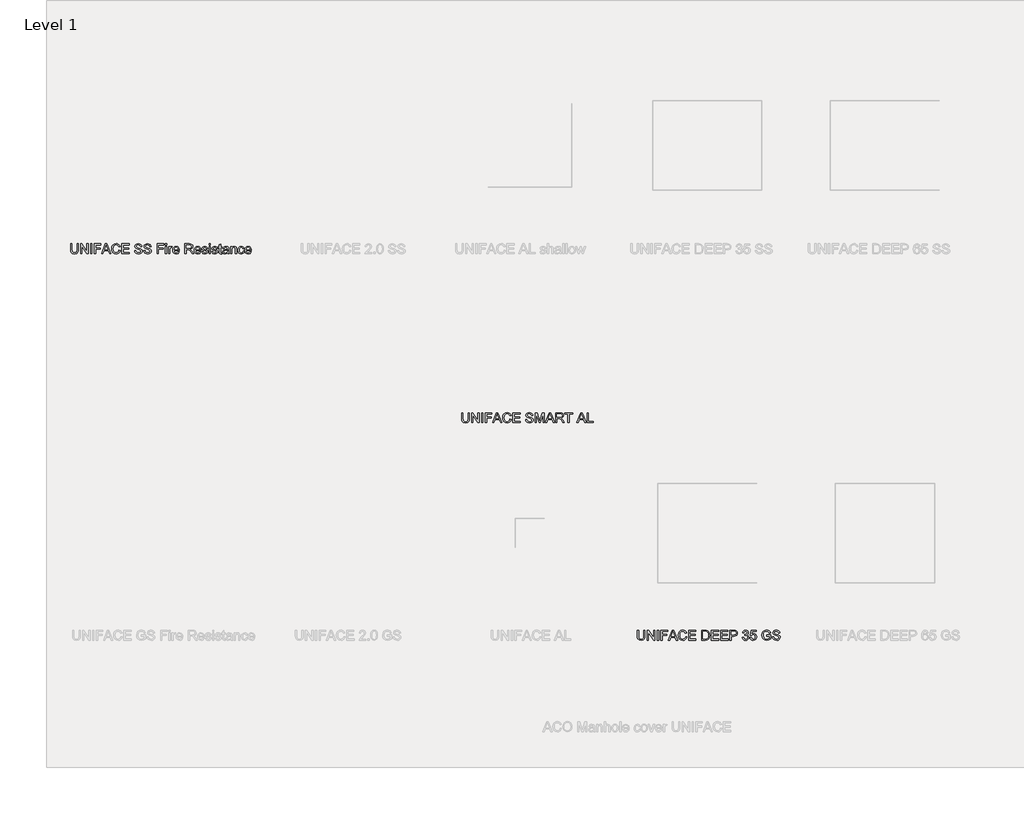
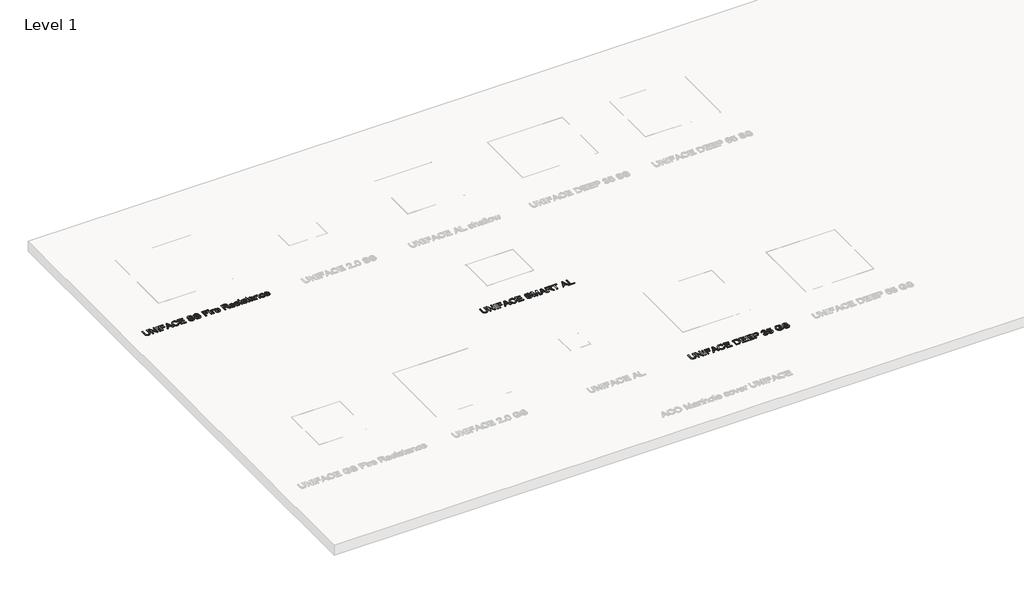
# One storey, part 4 of 9: 3 proxies.
"""IFC4 building model written with IfcOpenShell, lengths in millimetres."""

from ifc_helpers import new_model, si_unit, origin, origin_with_axes, place, context, project, spatial, polyline, outline, extrude, element, save

model = new_model("IFC4")

# Units and contexts
model_context = context("Model", 3, world=origin())
ifc_project = project(units=[si_unit("LENGTHUNIT", "METRE", prefix="MILLI")], contexts=[model_context])

# Site, building, storey
site = spatial("IfcSite", under=ifc_project)
building = spatial("IfcBuilding", under=site)
storey = spatial("IfcBuildingStorey", under=building, Name="Level 1", Elevation=0.0)

# Proxies
placement = place(None, origin())
element("IfcBuildingElementProxy", 1, Name="100mm ACO", ObjectType="100mm ACO", at=placement, inside=storey, context=model_context, shape_type="SweptSolid", body=[
    extrude(outline(polyline([(3784.6433876, -13561.0189185), (3783.7993627, -13575.381894), (3779.3172994, -13588.9445011), (3767.5009507, -13600.5571197), (3745.7018247, -13605.1992567), (3724.2519504, -13601.0809972), (3712.3046323, -13590.4288208), (3707.4587652, -13576.8225572), (3706.4110101, -13561.0189185), (3706.4110101, -13502.7520957), (3719.4497397, -13502.7520957), (3719.4497397, -13561.3681702), (3720.7448814, -13577.1281525), (3727.5698414, -13588.8862925), (3734.6058076, -13592.7389752), (3744.6540696, -13594.0232027), (3762.1894147, -13589.9340476), (3769.8292953, -13579.0053803), (3771.604658, -13561.3681702), (3771.604658, -13502.7520957), (3784.6433876, -13502.7520957), (3784.6433876, -13561.0189185)])), origin_with_axes(), (0.0, 0.0, 1.0), 10.0),
    extrude(outline(polyline([(3885.2278729, -13603.336581), (3871.2578055, -13603.336581), (3820.2961638, -13524.6385346), (3820.2961638, -13603.336581), (3806.9954954, -13603.336581), (3806.9954954, -13502.7520957), (3820.9946671, -13502.7520957), (3871.9272046, -13581.3919335), (3871.9272046, -13502.7520957), (3885.2278729, -13502.7520957), (3885.2278729, -13603.336581)])), origin_with_axes(), (0.0, 0.0, 1.0), 10.0),
    extrude(outline(polyline([(3922.481386, -13603.336581), (3909.4426564, -13603.336581), (3909.4426564, -13502.7520957), (3922.481386, -13502.7520957), (3922.481386, -13603.336581)])), origin_with_axes(), (0.0, 0.0, 1.0), 10.0),
    extrude(outline(polyline([(4013.752493, -13513.9281496), (3959.7348991, -13513.9281496), (3959.7348991, -13545.5936357), (4006.3017904, -13545.5936357), (4006.3017904, -13556.7696896), (3959.7348991, -13556.7696896), (3959.7348991, -13603.336581), (3946.6961695, -13603.336581), (3946.6961695, -13502.7520957), (4013.752493, -13502.7520957), (4013.752493, -13513.9281496)])), origin_with_axes(), (0.0, 0.0, 1.0), 10.0),
    extrude(outline(polyline([(4114.8026473, -13603.336581), (4100.9198928, -13603.336581), (4088.8707096, -13573.5337705), (4046.1746911, -13573.5337705), (4034.5911769, -13603.336581), (4020.7375267, -13603.336581), (4059.8246112, -13502.7520957), (4074.0857216, -13502.7520957), (4114.8026473, -13603.336581)]), holes=[polyline([(4084.3304377, -13562.3577166), (4069.8219406, -13525.4825595), (4066.8387492, -13513.7535238), (4062.1529557, -13532.4384889), (4050.5403372, -13562.3577166), (4084.3304377, -13562.3577166)])]), origin_with_axes(), (0.0, 0.0, 1.0), 10.0),
    extrude(outline(polyline([(4209.3334367, -13571.3218432), (4203.3852439, -13586.2341625), (4194.2137492, -13596.8026641), (4182.3573821, -13603.1001085), (4168.3545723, -13605.1992567), (4147.3267104, -13601.3211077), (4132.9055263, -13589.686661), (4124.5671423, -13572.5951566), (4121.787681, -13552.345835), (4125.0510014, -13530.834114), (4134.8409627, -13514.5538922), (4149.7605581, -13504.3055381), (4168.4127809, -13500.88942), (4181.8044002, -13502.7120773), (4193.1077855, -13508.180049), (4201.8281635, -13517.1623657), (4207.4707611, -13529.5280582), (4194.4320315, -13532.5549061), (4184.5220149, -13517.2023842), (4167.9180077, -13512.065474), (4153.6132408, -13514.7903647), (4143.2375553, -13522.965037), (4136.9291967, -13535.7236376), (4134.8264105, -13552.2003134), (4137.05289, -13570.6706343), (4143.7323285, -13583.7057259), (4153.9915968, -13591.4438335), (4166.9575656, -13594.0232027), (4177.5879137, -13592.3969996), (4186.0208867, -13587.5183901), (4192.2564845, -13579.3728221), (4196.2947071, -13567.9457436), (4209.3334367, -13571.3218432)])), origin_with_axes(), (0.0, 0.0, 1.0), 10.0),
    extrude(outline(polyline([(4300.6045438, -13603.336581), (4226.0975176, -13603.336581), (4226.0975176, -13502.7520957), (4298.7418681, -13502.7520957), (4298.7418681, -13513.9281496), (4239.1362472, -13513.9281496), (4239.1362472, -13545.5936357), (4295.0165168, -13545.5936357), (4295.0165168, -13556.7696896), (4239.1362472, -13556.7696896), (4239.1362472, -13592.1605271), (4300.6045438, -13592.1605271), (4300.6045438, -13603.336581)])), origin_with_axes(), (0.0, 0.0, 1.0), 10.0),
    extrude(outline(polyline([(4416.0904343, -13532.5549061), (4414.067685, -13523.6089698), (4409.5710695, -13517.2023842), (4402.600588, -13513.3497015), (4393.1562403, -13512.065474), (4377.4399145, -13516.0673162), (4372.8996426, -13520.982306), (4371.3862186, -13527.7235912), (4375.8828341, -13537.8373379), (4394.1748911, -13544.1675247), (4414.1258936, -13549.6827909), (4427.3538012, -13558.6614696), (4431.4793367, -13565.7847488), (4432.8545152, -13574.9889859), (4430.3333546, -13586.8962855), (4422.7698728, -13596.5989339), (4411.1536162, -13603.049176), (4396.4741313, -13605.1992567), (4378.3858045, -13602.8127035), (4365.5071486, -13595.6530439), (4357.6489857, -13584.6952723), (4354.6221377, -13570.9143829), (4367.6608673, -13569.8084192), (4370.3057212, -13580.7480007), (4376.5522331, -13588.2459978), (4385.4399609, -13592.5789015), (4396.0084624, -13594.0232027), (4413.2382122, -13589.2646485), (4418.1713923, -13583.6584314), (4419.8157856, -13576.3568883), (4418.1168217, -13568.9862226), (4413.0199299, -13563.9293492), (4389.6055149, -13556.4349901), (4375.311662, -13552.0693441), (4365.6672223, -13546.1611697), (4360.1774223, -13538.4885468), (4358.347489, -13528.8295548), (4360.6430913, -13517.7699181), (4367.5298979, -13508.8057916), (4378.3748904, -13502.8685129), (4392.5450499, -13500.88942), (4407.1917924, -13502.8830651), (4418.6516133, -13508.8640002), (4426.204181, -13518.512078), (4429.1291639, -13531.5071511), (4416.0904343, -13532.5549061)])), origin_with_axes(), (0.0, 0.0, 1.0), 10.0),
    extrude(outline(polyline([(4544.6150544, -13603.336581), (4531.5763249, -13603.336581), (4531.5763249, -13519.0505077), (4505.906326, -13603.336581), (4492.0526758, -13603.336581), (4464.8983573, -13517.6826052), (4464.5200013, -13603.336581), (4451.4812717, -13603.336581), (4451.4812717, -13502.7520957), (4471.3013049, -13502.7520957), (4494.2646032, -13574.0285438), (4498.7175621, -13588.929949), (4503.7526073, -13572.8061629), (4525.2315859, -13502.7520957), (4544.6150544, -13502.7520957), (4544.6150544, -13603.336581)])), origin_with_axes(), (0.0, 0.0, 1.0), 10.0),
    extrude(outline(polyline([(4649.39056, -13603.336581), (4635.5078055, -13603.336581), (4623.4586224, -13573.5337705), (4580.7626038, -13573.5337705), (4569.1790896, -13603.336581), (4555.3254394, -13603.336581), (4594.4125239, -13502.7520957), (4608.6736344, -13502.7520957), (4649.39056, -13603.336581)]), holes=[polyline([(4618.9183504, -13562.3577166), (4604.4098534, -13525.4825595), (4601.4266619, -13513.7535238), (4596.7408684, -13532.4384889), (4585.1282499, -13562.3577166), (4618.9183504, -13562.3577166)])]), origin_with_axes(), (0.0, 0.0, 1.0), 10.0),
    extrude(outline(polyline([(4748.1123696, -13603.336581), (4733.0363386, -13603.336581), (4714.1621954, -13573.3009361), (4706.347689, -13564.1185272), (4698.576839, -13559.5782553), (4688.9433133, -13558.6323653), (4673.1396746, -13558.6323653), (4673.1396746, -13603.336581), (4660.100945, -13603.336581), (4660.100945, -13502.7520957), (4704.4850133, -13502.7520957), (4719.7502224, -13503.9017158), (4730.5479203, -13508.7330308), (4737.6930277, -13518.0173048), (4740.1959981, -13529.8191013), (4738.3697028, -13539.92921), (4732.890817, -13547.8492195), (4723.9703469, -13553.4263324), (4711.8192987, -13556.5077509), (4721.5328612, -13564.0384903), (4730.6497854, -13575.7748022), (4748.1123696, -13603.336581)]), holes=[polyline([(4673.1396746, -13547.4563114), (4702.0693558, -13547.4563114), (4715.9375581, -13545.9719917), (4724.1013163, -13540.1947868), (4727.1572685, -13530.546709), (4722.0785669, -13518.7740167), (4715.351834, -13515.1396164), (4705.3290382, -13513.9281496), (4673.1396746, -13513.9281496), (4673.1396746, -13547.4563114)])]), origin_with_axes(), (0.0, 0.0, 1.0), 10.0),
    extrude(outline(polyline([(4831.4671052, -13513.9281496), (4797.9389434, -13513.9281496), (4797.9389434, -13603.336581), (4784.9002138, -13603.336581), (4784.9002138, -13513.9281496), (4751.372052, -13513.9281496), (4751.372052, -13502.7520957), (4831.4671052, -13502.7520957), (4831.4671052, -13513.9281496)])), origin_with_axes(), (0.0, 0.0, 1.0), 10.0),
    extrude(outline(polyline([(4967.9080968, -13603.336581), (4954.0253423, -13603.336581), (4941.9761592, -13573.5337705), (4899.2801407, -13573.5337705), (4887.6966265, -13603.336581), (4873.8429763, -13603.336581), (4912.9300607, -13502.7520957), (4927.1911712, -13502.7520957), (4967.9080968, -13603.336581)]), holes=[polyline([(4937.4358873, -13562.3577166), (4922.9273902, -13525.4825595), (4919.9441987, -13513.7535238), (4915.2584053, -13532.4384889), (4903.6457868, -13562.3577166), (4937.4358873, -13562.3577166)])]), origin_with_axes(), (0.0, 0.0, 1.0), 10.0),
    extrude(outline(polyline([(5041.9494541, -13603.336581), (4978.6184818, -13603.336581), (4978.6184818, -13502.7520957), (4991.6572114, -13502.7520957), (4991.6572114, -13592.1605271), (5041.9494541, -13592.1605271), (5041.9494541, -13603.336581)])), origin_with_axes(), (0.0, 0.0, 1.0), 10.0),
])
element("IfcBuildingElementProxy", 2, Name="100mm ACO", ObjectType="100mm ACO", at=placement, inside=storey, context=model_context, shape_type="SweptSolid", body=[
    extrude(outline(polyline([(5565.3197239, -15767.3956492), (5564.475699, -15781.7586247), (5559.9936357, -15795.3212318), (5548.177287, -15806.9338503), (5526.378161, -15811.5759873), (5504.9282867, -15807.4577279), (5492.9809686, -15796.8055515), (5488.1351015, -15783.1992879), (5487.0873465, -15767.3956492), (5487.0873465, -15709.1288264), (5500.126076, -15709.1288264), (5500.126076, -15767.7449008), (5501.4212177, -15783.5048831), (5508.2461777, -15795.2630232), (5515.2821439, -15799.1157058), (5525.330406, -15800.3999334), (5542.865751, -15796.3107783), (5550.5056316, -15785.3821109), (5552.2809943, -15767.7449008), (5552.2809943, -15709.1288264), (5565.3197239, -15709.1288264), (5565.3197239, -15767.3956492)])), origin_with_axes(), (0.0, 0.0, 1.0), 10.0),
    extrude(outline(polyline([(5665.9042092, -15809.7133117), (5651.9341418, -15809.7133117), (5600.9725001, -15731.0152653), (5600.9725001, -15809.7133117), (5587.6718318, -15809.7133117), (5587.6718318, -15709.1288264), (5601.6710035, -15709.1288264), (5652.6035409, -15787.7686641), (5652.6035409, -15709.1288264), (5665.9042092, -15709.1288264), (5665.9042092, -15809.7133117)])), origin_with_axes(), (0.0, 0.0, 1.0), 10.0),
    extrude(outline(polyline([(5703.1577223, -15809.7133117), (5690.1189927, -15809.7133117), (5690.1189927, -15709.1288264), (5703.1577223, -15709.1288264), (5703.1577223, -15809.7133117)])), origin_with_axes(), (0.0, 0.0, 1.0), 10.0),
    extrude(outline(polyline([(5794.4288294, -15720.3048803), (5740.4112354, -15720.3048803), (5740.4112354, -15751.9703664), (5786.9781268, -15751.9703664), (5786.9781268, -15763.1464203), (5740.4112354, -15763.1464203), (5740.4112354, -15809.7133117), (5727.3725058, -15809.7133117), (5727.3725058, -15709.1288264), (5794.4288294, -15709.1288264), (5794.4288294, -15720.3048803)])), origin_with_axes(), (0.0, 0.0, 1.0), 10.0),
    extrude(outline(polyline([(5895.4789836, -15809.7133117), (5881.5962291, -15809.7133117), (5869.547046, -15779.9105012), (5826.8510275, -15779.9105012), (5815.2675133, -15809.7133117), (5801.4138631, -15809.7133117), (5840.5009475, -15709.1288264), (5854.762058, -15709.1288264), (5895.4789836, -15809.7133117)]), holes=[polyline([(5865.0067741, -15768.7344473), (5850.498277, -15731.8592902), (5847.5150855, -15720.1302544), (5842.8292921, -15738.8152196), (5831.2166735, -15768.7344473), (5865.0067741, -15768.7344473)])]), origin_with_axes(), (0.0, 0.0, 1.0), 10.0),
    extrude(outline(polyline([(5990.009773, -15777.6985739), (5984.0615803, -15792.6108932), (5974.8900855, -15803.1793947), (5963.0337184, -15809.4768392), (5949.0309087, -15811.5759873), (5928.0030468, -15807.6978384), (5913.5818626, -15796.0633916), (5905.2434786, -15778.9718873), (5902.4640173, -15758.7225656), (5905.7273377, -15737.2108447), (5915.517299, -15720.9306229), (5930.4368945, -15710.6822687), (5949.0891173, -15707.2661507), (5962.4807366, -15709.0888079), (5973.7841218, -15714.5567796), (5982.5044999, -15723.5390964), (5988.1470974, -15735.9047889), (5975.1083678, -15738.9316368), (5965.1983512, -15723.5791148), (5948.5943441, -15718.4422046), (5934.2895771, -15721.1670954), (5923.9138916, -15729.3417676), (5917.6055331, -15742.1003683), (5915.5027469, -15758.5770441), (5917.7292264, -15777.047365), (5924.4086649, -15790.0824565), (5934.6679331, -15797.8205642), (5947.6339019, -15800.3999334), (5958.2642501, -15798.7737302), (5966.6972231, -15793.8951208), (5972.9328209, -15785.7495528), (5976.9710435, -15774.3224742), (5990.009773, -15777.6985739)])), origin_with_axes(), (0.0, 0.0, 1.0), 10.0),
    extrude(outline(polyline([(6081.2808801, -15809.7133117), (6006.7738539, -15809.7133117), (6006.7738539, -15709.1288264), (6079.4182044, -15709.1288264), (6079.4182044, -15720.3048803), (6019.8125835, -15720.3048803), (6019.8125835, -15751.9703664), (6075.6928531, -15751.9703664), (6075.6928531, -15763.1464203), (6019.8125835, -15763.1464203), (6019.8125835, -15798.5372577), (6081.2808801, -15798.5372577), (6081.2808801, -15809.7133117)])), origin_with_axes(), (0.0, 0.0, 1.0), 10.0),
    extrude(outline(polyline([(6139.0238254, -15709.1288264), (6173.2504905, -15709.1288264), (6188.7339819, -15710.0601642), (6201.1324167, -15714.5858839), (6211.4789979, -15724.4959005), (6218.4494794, -15739.0043976), (6220.9815542, -15758.8680872), (6218.3767187, -15779.1210469), (6210.5622122, -15795.4085447), (6196.3956907, -15806.1371199), (6174.7348102, -15809.7133117), (6139.0238254, -15809.7133117), (6139.0238254, -15709.1288264)]), holes=[polyline([(6152.062555, -15798.5372577), (6173.5124293, -15798.5372577), (6185.2269129, -15797.6932328), (6195.6899113, -15793.1384088), (6204.4648599, -15780.9728084), (6207.9428246, -15758.5770441), (6206.6040264, -15744.1995164), (6201.6853985, -15732.0193639), (6193.4634318, -15723.972023), (6184.4119923, -15720.8578621), (6173.104969, -15720.3048803), (6152.062555, -15720.3048803), (6152.062555, -15798.5372577)])]), origin_with_axes(), (0.0, 0.0, 1.0), 10.0),
    extrude(outline(polyline([(6314.1153369, -15809.7133117), (6239.6083107, -15809.7133117), (6239.6083107, -15709.1288264), (6312.2526612, -15709.1288264), (6312.2526612, -15720.3048803), (6252.6470403, -15720.3048803), (6252.6470403, -15751.9703664), (6308.5273099, -15751.9703664), (6308.5273099, -15763.1464203), (6252.6470403, -15763.1464203), (6252.6470403, -15798.5372577), (6314.1153369, -15798.5372577), (6314.1153369, -15809.7133117)])), origin_with_axes(), (0.0, 0.0, 1.0), 10.0),
    extrude(outline(polyline([(6407.2491196, -15809.7133117), (6332.7420934, -15809.7133117), (6332.7420934, -15709.1288264), (6405.3864439, -15709.1288264), (6405.3864439, -15720.3048803), (6345.780823, -15720.3048803), (6345.780823, -15751.9703664), (6401.6610926, -15751.9703664), (6401.6610926, -15763.1464203), (6345.780823, -15763.1464203), (6345.780823, -15798.5372577), (6407.2491196, -15798.5372577), (6407.2491196, -15809.7133117)])), origin_with_axes(), (0.0, 0.0, 1.0), 10.0),
    extrude(outline(polyline([(6425.8758761, -15709.1288264), (6463.6532667, -15709.1288264), (6479.0494452, -15710.0165077), (6491.0404197, -15714.6295404), (6499.407908, -15724.7432871), (6502.2455779, -15738.1167162), (6500.0081843, -15750.6206542), (6493.2960035, -15760.366959), (6481.6506426, -15766.6425752), (6464.6137088, -15768.7344473), (6438.9146057, -15768.7344473), (6438.9146057, -15809.7133117), (6425.8758761, -15809.7133117), (6425.8758761, -15709.1288264)]), holes=[polyline([(6438.9146057, -15757.5583934), (6465.1375864, -15757.5583934), (6483.1895328, -15752.7925631), (6487.7025195, -15746.8352752), (6489.2068483, -15738.4950722), (6486.0781353, -15727.4499877), (6478.3945983, -15721.4836047), (6464.8465433, -15720.3048803), (6438.9146057, -15720.3048803), (6438.9146057, -15757.5583934)])]), origin_with_axes(), (0.0, 0.0, 1.0), 10.0),
    extrude(outline(polyline([(6600.2979885, -15755.7975828), (6608.6763909, -15759.0536271), (6614.7191727, -15764.8781266), (6619.5941441, -15780.4925873), (6617.0547933, -15792.872832), (6609.4367409, -15802.830143), (6598.2825153, -15809.3895263), (6585.1346445, -15811.5759873), (6572.7835042, -15809.647827), (6562.7970888, -15803.8633459), (6555.8302453, -15794.9137715), (6552.5378206, -15783.490331), (6565.5765502, -15781.7731769), (6572.4451666, -15797.1548032), (6585.5712091, -15802.2626091), (6593.6876728, -15800.7273569), (6600.4580622, -15796.1216003), (6605.0310765, -15789.2893642), (6606.5554145, -15781.0746735), (6605.1256655, -15773.2710811), (6600.8364182, -15766.9154281), (6594.2406546, -15762.6916655), (6585.8913565, -15761.2837447), (6576.7526041, -15763.1464203), (6578.2078194, -15751.9703664), (6586.124191, -15751.4755932), (6592.6435558, -15749.0599357), (6598.6099387, -15743.5592216), (6600.9673876, -15734.682408), (6596.1506248, -15722.6914335), (6584.989123, -15718.4422046), (6573.1873265, -15723.2735196), (6567.4392258, -15737.0689612), (6554.4004962, -15734.8279295), (6558.260455, -15723.5754768), (6565.0090162, -15715.5463261), (6574.0058851, -15710.7332013), (6584.610767, -15709.1288264), (6596.1433487, -15711.0315204), (6605.5949724, -15716.7396027), (6611.903331, -15725.1980419), (6614.0061172, -15735.351807), (6610.579085, -15747.4883031), (6600.2979885, -15755.7975828)])), origin_with_axes(), (0.0, 0.0, 1.0), 10.0),
    extrude(outline(polyline([(6648.3491995, -15747.2263643), (6667.1214776, -15742.6569881), (6678.6722495, -15744.8943817), (6688.6441127, -15751.6065626), (6695.5309194, -15762.0440947), (6697.8265216, -15775.4575422), (6695.4436064, -15789.3766771), (6688.294861, -15801.0402282), (6677.2825188, -15808.9420475), (6663.3088134, -15811.5759873), (6651.4997408, -15809.7569681), (6641.3932701, -15804.2999106), (6634.1099173, -15795.2775754), (6630.770198, -15782.7627233), (6643.8089276, -15781.7731769), (6650.6193355, -15797.1839075), (6663.4543349, -15802.2626091), (6672.0692098, -15800.3781052), (6678.8796177, -15794.7245935), (6683.3107484, -15786.3134488), (6684.787792, -15776.1560456), (6683.3071104, -15766.1296118), (6678.8650655, -15758.4606269), (6672.0946761, -15753.5929315), (6663.6289608, -15751.9703664), (6653.231447, -15754.3350913), (6645.555186, -15761.4292662), (6632.6328737, -15759.9158422), (6642.3828166, -15710.991502), (6694.1011703, -15710.991502), (6694.1011703, -15720.3048803), (6653.7334963, -15720.3048803), (6648.3491995, -15747.2263643)])), origin_with_axes(), (0.0, 0.0, 1.0), 10.0),
    extrude(outline(polyline([(6841.252547, -15796.2962261), (6821.730833, -15807.756047), (6800.4774127, -15811.5759873), (6779.9770664, -15808.039814), (6763.8787465, -15797.4312941), (6753.4557666, -15780.9582563), (6749.9814399, -15759.8285293), (6755.6422276, -15733.168984), (6762.6454515, -15722.2184885), (6772.3335478, -15714.0474542), (6784.5937371, -15708.9614766), (6799.3132404, -15707.2661507), (6814.2364739, -15709.1506546), (6825.8854728, -15714.8041662), (6834.2675133, -15724.2194096), (6839.3898713, -15737.3891085), (6826.3511417, -15740.7943125), (6822.5712198, -15731.0334555), (6816.6448553, -15724.0447837), (6808.5720481, -15719.8428494), (6798.3527983, -15718.4422046), (6783.0039143, -15721.2653224), (6771.9406396, -15729.7346758), (6765.250287, -15742.7734054), (6763.0201695, -15759.3046518), (6767.429472, -15782.0496678), (6780.511858, -15795.7577964), (6799.371449, -15800.3999334), (6814.3237868, -15797.5768156), (6828.2138174, -15789.1074622), (6828.2138174, -15768.7344473), (6798.4110069, -15768.7344473), (6798.4110069, -15757.5583934), (6841.252547, -15757.5583934), (6841.252547, -15796.2962261)])), origin_with_axes(), (0.0, 0.0, 1.0), 10.0),
    extrude(outline(polyline([(6919.4849244, -15738.9316368), (6917.4621751, -15729.9857004), (6912.9655596, -15723.5791148), (6905.9950781, -15719.7264322), (6896.5507304, -15718.4422046), (6880.8344046, -15722.4440468), (6876.2941327, -15727.3590367), (6874.7807087, -15734.1003218), (6879.2773242, -15744.2140686), (6897.5693812, -15750.5442553), (6917.5203837, -15756.0595215), (6930.7482913, -15765.0382003), (6934.8738268, -15772.1614794), (6936.2490053, -15781.3657166), (6933.7278447, -15793.2730162), (6926.1643629, -15802.9756646), (6914.5481063, -15809.4259066), (6899.8686214, -15811.5759873), (6881.7802946, -15809.1894341), (6868.9016387, -15802.0297746), (6861.0434758, -15791.072003), (6858.0166278, -15777.2911136), (6871.0553574, -15776.1851499), (6873.7002113, -15787.1247313), (6879.9467232, -15794.6227284), (6888.834451, -15798.9556322), (6899.4029525, -15800.3999334), (6916.6327023, -15795.6413792), (6921.5658824, -15790.035162), (6923.2102757, -15782.733619), (6921.5113118, -15775.3629532), (6916.41442, -15770.3060799), (6893.000005, -15762.8117208), (6878.7061521, -15758.4460747), (6869.0617124, -15752.5379004), (6863.5719125, -15744.8652774), (6861.7419791, -15735.2062855), (6864.0375814, -15724.1466488), (6870.924388, -15715.1825222), (6881.7693805, -15709.2452436), (6895.93954, -15707.2661507), (6910.5862825, -15709.2597957), (6922.0461034, -15715.2407308), (6929.5986711, -15724.8888086), (6932.523654, -15737.8838818), (6919.4849244, -15738.9316368)])), origin_with_axes(), (0.0, 0.0, 1.0), 10.0),
])
element("IfcBuildingElementProxy", 3, Name="100mm ACO", ObjectType="100mm ACO", at=placement, inside=storey, context=model_context, shape_type="SweptSolid", body=[
    extrude(outline(polyline([(-179.7546973, -11847.3956492), (-180.5987222, -11861.7586247), (-185.0807855, -11875.3212318), (-196.8971342, -11886.9338503), (-218.6962602, -11891.5759873), (-240.1461346, -11887.4577279), (-252.0934526, -11876.8055515), (-256.9393198, -11863.1992879), (-257.9870748, -11847.3956492), (-257.9870748, -11789.1288264), (-244.9483452, -11789.1288264), (-244.9483452, -11847.7449008), (-243.6532036, -11863.5048831), (-236.8282436, -11875.2630232), (-229.7922773, -11879.1157058), (-219.7440153, -11880.3999334), (-202.2086703, -11876.3107783), (-194.5687896, -11865.3821109), (-192.7934269, -11847.7449008), (-192.7934269, -11789.1288264), (-179.7546973, -11789.1288264), (-179.7546973, -11847.3956492)])), origin_with_axes(), (0.0, 0.0, 1.0), 10.0),
    extrude(outline(polyline([(-79.170212, -11889.7133117), (-93.1402794, -11889.7133117), (-144.1019211, -11811.0152653), (-144.1019211, -11889.7133117), (-157.4025895, -11889.7133117), (-157.4025895, -11789.1288264), (-143.4034178, -11789.1288264), (-92.4708804, -11867.7686641), (-92.4708804, -11789.1288264), (-79.170212, -11789.1288264), (-79.170212, -11889.7133117)])), origin_with_axes(), (0.0, 0.0, 1.0), 10.0),
    extrude(outline(polyline([(-41.9166989, -11889.7133117), (-54.9554285, -11889.7133117), (-54.9554285, -11789.1288264), (-41.9166989, -11789.1288264), (-41.9166989, -11889.7133117)])), origin_with_axes(), (0.0, 0.0, 1.0), 10.0),
    extrude(outline(polyline([(49.3544081, -11800.3048803), (-4.6631859, -11800.3048803), (-4.6631859, -11831.9703664), (41.9037055, -11831.9703664), (41.9037055, -11843.1464203), (-4.6631859, -11843.1464203), (-4.6631859, -11889.7133117), (-17.7019154, -11889.7133117), (-17.7019154, -11789.1288264), (49.3544081, -11789.1288264), (49.3544081, -11800.3048803)])), origin_with_axes(), (0.0, 0.0, 1.0), 10.0),
    extrude(outline(polyline([(150.4045623, -11889.7133117), (136.5218079, -11889.7133117), (124.4726247, -11859.9105012), (81.7766062, -11859.9105012), (70.193092, -11889.7133117), (56.3394418, -11889.7133117), (95.4265262, -11789.1288264), (109.6876367, -11789.1288264), (150.4045623, -11889.7133117)]), holes=[polyline([(119.9323528, -11848.7344473), (105.4238557, -11811.8592902), (102.4406643, -11800.1302544), (97.7548708, -11818.8152196), (86.1422523, -11848.7344473), (119.9323528, -11848.7344473)])]), origin_with_axes(), (0.0, 0.0, 1.0), 10.0),
    extrude(outline(polyline([(244.9353518, -11857.6985739), (238.987159, -11872.6108932), (229.8156643, -11883.1793947), (217.9592971, -11889.4768392), (203.9564874, -11891.5759873), (182.9286255, -11887.6978384), (168.5074414, -11876.0633916), (160.1690574, -11858.9718873), (157.389596, -11838.7225656), (160.6529165, -11817.2108447), (170.4428778, -11800.9306229), (185.3624732, -11790.6822687), (204.014696, -11787.2661507), (217.4063153, -11789.0888079), (228.7097006, -11794.5567796), (237.4300786, -11803.5390964), (243.0726761, -11815.9047889), (230.0339466, -11818.9316368), (220.12393, -11803.5791148), (203.5199228, -11798.4422046), (189.2151559, -11801.1670954), (178.8394704, -11809.3417676), (172.5311118, -11822.1003683), (170.4283256, -11838.5770441), (172.6548051, -11857.047365), (179.3342436, -11870.0824565), (189.5935118, -11877.8205642), (202.5594807, -11880.3999334), (213.1898288, -11878.7737302), (221.6228018, -11873.8951208), (227.8583996, -11865.7495528), (231.8966222, -11854.3224742), (244.9353518, -11857.6985739)])), origin_with_axes(), (0.0, 0.0, 1.0), 10.0),
    extrude(outline(polyline([(336.2064588, -11889.7133117), (261.6994327, -11889.7133117), (261.6994327, -11789.1288264), (334.3437832, -11789.1288264), (334.3437832, -11800.3048803), (274.7381623, -11800.3048803), (274.7381623, -11831.9703664), (330.6184319, -11831.9703664), (330.6184319, -11843.1464203), (274.7381623, -11843.1464203), (274.7381623, -11878.5372577), (336.2064588, -11878.5372577), (336.2064588, -11889.7133117)])), origin_with_axes(), (0.0, 0.0, 1.0), 10.0),
    extrude(outline(polyline([(451.6923494, -11818.9316368), (449.6696, -11809.9857004), (445.1729846, -11803.5791148), (438.202503, -11799.7264322), (428.7581554, -11798.4422046), (413.0418296, -11802.4440468), (408.5015577, -11807.3590367), (406.9881337, -11814.1003218), (411.4847491, -11824.2140686), (429.7768061, -11830.5442553), (449.7278087, -11836.0595215), (462.9557162, -11845.0382003), (467.0812518, -11852.1614794), (468.4564303, -11861.3657166), (465.9352697, -11873.2730162), (458.3717879, -11882.9756646), (446.7555313, -11889.4259066), (432.0760464, -11891.5759873), (413.9877195, -11889.1894341), (401.1090637, -11882.0297746), (393.2509007, -11871.072003), (390.2240528, -11857.2911136), (403.2627824, -11856.1851499), (405.9076363, -11867.1247313), (412.1541482, -11874.6227284), (421.041876, -11878.9556322), (431.6103775, -11880.3999334), (448.8401273, -11875.6413792), (453.7733073, -11870.035162), (455.4177007, -11862.733619), (453.7187368, -11855.3629532), (448.621845, -11850.3060799), (425.2074299, -11842.8117208), (410.9135771, -11838.4460747), (401.2691373, -11832.5379004), (395.7793374, -11824.8652774), (393.9494041, -11815.2062855), (396.2450063, -11804.1466488), (403.131813, -11795.1825222), (413.9768054, -11789.2452436), (428.1469649, -11787.2661507), (442.7937075, -11789.2597957), (454.2535284, -11795.2407308), (461.8060961, -11804.8888086), (464.731079, -11817.8838818), (451.6923494, -11818.9316368)])), origin_with_axes(), (0.0, 0.0, 1.0), 10.0),
    extrude(outline(polyline([(544.8261321, -11818.9316368), (542.8033827, -11809.9857004), (538.3067673, -11803.5791148), (531.3362858, -11799.7264322), (521.8919381, -11798.4422046), (506.1756123, -11802.4440468), (501.6353404, -11807.3590367), (500.1219164, -11814.1003218), (504.6185318, -11824.2140686), (522.9105888, -11830.5442553), (542.8615914, -11836.0595215), (556.0894989, -11845.0382003), (560.2150345, -11852.1614794), (561.590213, -11861.3657166), (559.0690524, -11873.2730162), (551.5055706, -11882.9756646), (539.889314, -11889.4259066), (525.2098291, -11891.5759873), (507.1215022, -11889.1894341), (494.2428464, -11882.0297746), (486.3846834, -11871.072003), (483.3578355, -11857.2911136), (496.3965651, -11856.1851499), (499.041419, -11867.1247313), (505.2879309, -11874.6227284), (514.1756587, -11878.9556322), (524.7441602, -11880.3999334), (541.97391, -11875.6413792), (546.90709, -11870.035162), (548.5514834, -11862.733619), (546.8525195, -11855.3629532), (541.7556277, -11850.3060799), (518.3412126, -11842.8117208), (504.0473598, -11838.4460747), (494.40292, -11832.5379004), (488.9131201, -11824.8652774), (487.0831868, -11815.2062855), (489.378789, -11804.1466488), (496.2655957, -11795.1825222), (507.1105881, -11789.2452436), (521.2807477, -11787.2661507), (535.9274902, -11789.2597957), (547.3873111, -11795.2407308), (554.9398788, -11804.8888086), (557.8648617, -11817.8838818), (544.8261321, -11818.9316368)])), origin_with_axes(), (0.0, 0.0, 1.0), 10.0),
    extrude(outline(polyline([(686.3894818, -11800.3048803), (632.3718878, -11800.3048803), (632.3718878, -11831.9703664), (678.9387792, -11831.9703664), (678.9387792, -11843.1464203), (632.3718878, -11843.1464203), (632.3718878, -11889.7133117), (619.3331583, -11889.7133117), (619.3331583, -11789.1288264), (686.3894818, -11789.1288264), (686.3894818, -11800.3048803)])), origin_with_axes(), (0.0, 0.0, 1.0), 10.0),
    extrude(outline(polyline([(716.1922923, -11802.1675559), (703.1535627, -11802.1675559), (703.1535627, -11789.1288264), (716.1922923, -11789.1288264), (716.1922923, -11802.1675559)])), origin_with_axes(), (0.0, 0.0, 1.0), 10.0),
    extrude(outline(polyline([(716.1922923, -11889.7133117), (703.1535627, -11889.7133117), (703.1535627, -11817.0689612), (716.1922923, -11817.0689612), (716.1922923, -11889.7133117)])), origin_with_axes(), (0.0, 0.0, 1.0), 10.0),
    extrude(outline(polyline([(773.9352375, -11818.0585076), (769.8606345, -11826.3823394), (761.3039683, -11824.5196638), (755.4758308, -11826.1567811), (751.2629823, -11831.0681329), (747.8577784, -11849.4038463), (747.8577784, -11889.7133117), (734.8190488, -11889.7133117), (734.8190488, -11817.0689612), (745.9951027, -11817.0689612), (745.9951027, -11827.8375548), (752.9655843, -11818.3641028), (761.4494898, -11815.2062855), (773.9352375, -11818.0585076)])), origin_with_axes(), (0.0, 0.0, 1.0), 10.0),
    extrude(outline(polyline([(844.7169124, -11856.1851499), (790.6993184, -11856.1851499), (792.7839144, -11867.375756), (797.5242784, -11875.5686184), (804.3456004, -11880.5891114), (812.6730703, -11882.2626091), (824.4166582, -11878.5518099), (831.6781828, -11867.3612038), (844.7169124, -11868.8746278), (840.3148859, -11878.5518099), (833.3371283, -11885.6969173), (824.0383022, -11890.1062198), (812.6730703, -11891.5759873), (798.0008615, -11889.0548267), (786.9303107, -11881.4913449), (779.9780193, -11869.562217), (777.6605888, -11853.9441183), (779.8943444, -11838.3151053), (786.5956111, -11825.9457748), (797.3569287, -11817.8911578), (811.7708368, -11815.2062855), (827.0797023, -11818.6842502), (839.5800022, -11830.5297032), (843.4326848, -11841.127309), (844.7169124, -11856.1851499)]), holes=[polyline([(831.6781828, -11846.8717716), (829.5826727, -11836.6561598), (824.8095663, -11829.7584391), (811.4506894, -11824.5196638), (803.54887, -11826.0767442), (797.1895789, -11830.7479855), (790.6993184, -11846.8717716), (831.6781828, -11846.8717716)])]), origin_with_axes(), (0.0, 0.0, 1.0), 10.0),
    extrude(outline(polyline([(988.6086067, -11889.7133117), (973.5325756, -11889.7133117), (954.6584324, -11859.6776667), (946.843926, -11850.4952579), (939.073076, -11845.954986), (929.4395503, -11845.009096), (913.6359116, -11845.009096), (913.6359116, -11889.7133117), (900.597182, -11889.7133117), (900.597182, -11789.1288264), (944.9812503, -11789.1288264), (960.2464594, -11790.2784465), (971.0441573, -11795.1097615), (978.1892647, -11804.3940354), (980.6922351, -11816.1958319), (978.8659399, -11826.3059406), (973.3870541, -11834.2259502), (964.4665839, -11839.803063), (952.3155357, -11842.8844816), (962.0290982, -11850.415221), (971.1460224, -11862.1515329), (988.6086067, -11889.7133117)]), holes=[polyline([(913.6359116, -11833.833042), (942.5655928, -11833.833042), (956.4337952, -11832.3487224), (964.5975533, -11826.5715174), (967.6535056, -11816.9234396), (962.574804, -11805.1507474), (955.848071, -11801.5163471), (945.8252752, -11800.3048803), (913.6359116, -11800.3048803), (913.6359116, -11833.833042)])]), origin_with_axes(), (0.0, 0.0, 1.0), 10.0),
    extrude(outline(polyline([(1062.6499639, -11856.1851499), (1008.63237, -11856.1851499), (1010.7169659, -11867.375756), (1015.45733, -11875.5686184), (1022.2786519, -11880.5891114), (1030.6061218, -11882.2626091), (1042.3497097, -11878.5518099), (1049.6112343, -11867.3612038), (1062.6499639, -11868.8746278), (1058.2479375, -11878.5518099), (1051.2701798, -11885.6969173), (1041.9713537, -11890.1062198), (1030.6061218, -11891.5759873), (1015.933913, -11889.0548267), (1004.8633622, -11881.4913449), (997.9110708, -11869.562217), (995.5936404, -11853.9441183), (997.8273959, -11838.3151053), (1004.5286627, -11825.9457748), (1015.2899802, -11817.8911578), (1029.7038883, -11815.2062855), (1045.0127538, -11818.6842502), (1057.5130537, -11830.5297032), (1061.3657364, -11841.127309), (1062.6499639, -11856.1851499)]), holes=[polyline([(1049.6112343, -11846.8717716), (1047.5157242, -11836.6561598), (1042.7426179, -11829.7584391), (1029.3837409, -11824.5196638), (1021.4819215, -11826.0767442), (1015.1226304, -11830.7479855), (1008.63237, -11846.8717716), (1049.6112343, -11846.8717716)])]), origin_with_axes(), (0.0, 0.0, 1.0), 10.0),
    extrude(outline(polyline([(1118.5302335, -11837.5583934), (1113.7134707, -11827.7793462), (1102.5810733, -11824.5196638), (1091.2012892, -11827.3136773), (1086.8647474, -11835.4337789), (1089.7315217, -11842.6225428), (1103.2504723, -11846.5225199), (1121.0768604, -11850.7135402), (1130.1719564, -11857.0728313), (1133.4316388, -11868.4671675), (1131.4088894, -11877.4494843), (1125.3406414, -11884.8965488), (1115.8890177, -11889.9061277), (1103.7161412, -11891.5759873), (1091.1685468, -11890.1717045), (1081.6987329, -11885.9588561), (1075.2994234, -11878.944718), (1071.9633422, -11869.1365666), (1085.0020718, -11867.3612038), (1090.6337552, -11878.5518099), (1103.7161412, -11882.2626091), (1116.0854717, -11878.4062884), (1120.3929092, -11869.0201493), (1118.4574728, -11863.0101099), (1113.6261578, -11859.6194581), (1099.9616856, -11856.7090274), (1086.7083118, -11853.4638972), (1078.9047194, -11848.8508645), (1073.8260178, -11836.1904909), (1075.7068837, -11827.855745), (1081.3494812, -11821.129012), (1090.1717243, -11816.6869671), (1101.5915268, -11815.2062855), (1113.5934155, -11816.5014272), (1122.5902844, -11820.3868522), (1128.5821336, -11826.8552844), (1131.5689631, -11835.8994479), (1118.5302335, -11837.5583934)])), origin_with_axes(), (0.0, 0.0, 1.0), 10.0),
    extrude(outline(polyline([(1159.5090979, -11889.7133117), (1146.4703684, -11889.7133117), (1146.4703684, -11817.0689612), (1159.5090979, -11817.0689612), (1159.5090979, -11889.7133117)])), origin_with_axes(), (0.0, 0.0, 1.0), 10.0),
    extrude(outline(polyline([(1159.5090979, -11802.1675559), (1146.4703684, -11802.1675559), (1146.4703684, -11789.1288264), (1159.5090979, -11789.1288264), (1159.5090979, -11802.1675559)])), origin_with_axes(), (0.0, 0.0, 1.0), 10.0),
    extrude(outline(polyline([(1219.1147189, -11837.5583934), (1214.297956, -11827.7793462), (1203.1655586, -11824.5196638), (1191.7857745, -11827.3136773), (1187.4492327, -11835.4337789), (1190.316007, -11842.6225428), (1203.8349576, -11846.5225199), (1221.6613457, -11850.7135402), (1230.7564417, -11857.0728313), (1234.0161241, -11868.4671675), (1231.9933748, -11877.4494843), (1225.9251267, -11884.8965488), (1216.473503, -11889.9061277), (1204.3006266, -11891.5759873), (1191.7530322, -11890.1717045), (1182.2832182, -11885.9588561), (1175.8839087, -11878.944718), (1172.5478275, -11869.1365666), (1185.5865571, -11867.3612038), (1191.2182405, -11878.5518099), (1204.3006266, -11882.2626091), (1216.6699571, -11878.4062884), (1220.9773945, -11869.0201493), (1219.0419581, -11863.0101099), (1214.2106431, -11859.6194581), (1200.5461709, -11856.7090274), (1187.2927971, -11853.4638972), (1179.4892048, -11848.8508645), (1174.4105032, -11836.1904909), (1176.291369, -11827.855745), (1181.9339665, -11821.129012), (1190.7562096, -11816.6869671), (1202.1760121, -11815.2062855), (1214.1779008, -11816.5014272), (1223.1747697, -11820.3868522), (1229.1666189, -11826.8552844), (1232.1534484, -11835.8994479), (1219.1147189, -11837.5583934)])), origin_with_axes(), (0.0, 0.0, 1.0), 10.0),
    extrude(outline(polyline([(1274.9949885, -11890.7319624), (1265.8562361, -11891.5759873), (1254.1999611, -11888.6801088), (1249.7324499, -11881.3312712), (1248.9175293, -11868.9328364), (1248.9175293, -11826.3823394), (1239.6041511, -11826.3823394), (1239.6041511, -11817.0689612), (1248.9175293, -11817.0689612), (1248.9175293, -11798.6168305), (1261.9562589, -11790.991502), (1261.9562589, -11817.0689612), (1273.1323128, -11817.0689612), (1273.1323128, -11826.3823394), (1261.9562589, -11826.3823394), (1261.9562589, -11871.552224), (1263.004014, -11879.8178473), (1268.3301022, -11882.2626091), (1273.3942516, -11882.2626091), (1274.9949885, -11890.7319624)])), origin_with_axes(), (0.0, 0.0, 1.0), 10.0),
    extrude(outline(polyline([(1349.5020146, -11889.7133117), (1336.4632851, -11889.7133117), (1332.7379338, -11880.9238109), (1320.1721492, -11888.9129432), (1306.6313703, -11891.5759873), (1296.5867463, -11890.120772), (1288.9213994, -11885.7551259), (1284.0646182, -11879.0029267), (1282.4456911, -11870.3880518), (1284.0318758, -11862.0314776), (1288.79043, -11855.2974685), (1297.4707896, -11850.3752026), (1310.8223905, -11847.4538578), (1322.2312789, -11845.7075993), (1332.7379338, -11843.1464203), (1332.4032342, -11835.0699751), (1330.4532457, -11830.1658994), (1325.2581268, -11826.0767442), (1315.6246012, -11824.5196638), (1303.473553, -11827.6774811), (1297.3470963, -11839.421069), (1284.3083668, -11837.8203321), (1287.8845585, -11827.953972), (1294.5967393, -11820.8816254), (1304.4376331, -11816.6251205), (1317.3999639, -11815.2062855), (1336.7688803, -11819.0917105), (1344.3651044, -11828.4632974), (1345.7766633, -11842.5934385), (1345.7766633, -11859.2119978), (1346.3296452, -11879.5850128), (1349.5020146, -11889.7133117)]), holes=[polyline([(1332.7379338, -11857.1164877), (1332.7379338, -11852.4597986), (1309.3235187, -11857.8149911), (1298.9441952, -11861.8968702), (1295.4844207, -11870.1843216), (1299.209772, -11878.8574051), (1309.9492613, -11882.2626091), (1325.8547651, -11876.5581649), (1331.0171416, -11868.8455235), (1332.7379338, -11857.1164877)])]), origin_with_axes(), (0.0, 0.0, 1.0), 10.0),
    extrude(outline(polyline([(1424.0090408, -11889.7133117), (1410.9703112, -11889.7133117), (1410.9703112, -11844.4852184), (1407.0848862, -11828.7979969), (1396.2726361, -11824.5196638), (1386.1879937, -11827.2554686), (1379.4357945, -11834.96811), (1377.4421495, -11849.0545947), (1377.4421495, -11889.7133117), (1364.4034199, -11889.7133117), (1364.4034199, -11817.0689612), (1375.5794738, -11817.0689612), (1375.5794738, -11827.1681557), (1385.5331468, -11818.189477), (1398.8629195, -11815.2062855), (1410.3009122, -11817.2726913), (1419.1486215, -11823.4573566), (1423.1795681, -11832.2468573), (1424.0090408, -11844.8635744), (1424.0090408, -11889.7133117)])), origin_with_axes(), (0.0, 0.0, 1.0), 10.0),
    extrude(outline(polyline([(1504.1040939, -11865.1201722), (1500.0513192, -11876.9947295), (1492.8407271, -11885.2021441), (1483.4618641, -11889.9825265), (1472.9042767, -11891.5759873), (1458.5049208, -11888.9711518), (1447.7872597, -11881.1566454), (1441.1296495, -11869.0419776), (1438.910446, -11853.536658), (1443.9745955, -11830.7188812), (1456.6495212, -11818.6842502), (1472.642338, -11815.2062855), (1483.2544959, -11816.6287585), (1492.2149845, -11820.8961775), (1498.7889198, -11827.9212297), (1502.2414183, -11837.616602), (1489.2026887, -11839.421069), (1483.2654101, -11828.2595672), (1472.7878595, -11824.5196638), (1463.7800765, -11826.4150818), (1457.2461595, -11832.1013358), (1453.2734216, -11841.1855176), (1451.9491756, -11853.2747192), (1453.2770596, -11865.574927), (1457.2607117, -11874.7100414), (1463.7473341, -11880.3744671), (1472.5841293, -11882.2626091), (1485.2590551, -11877.6059199), (1491.0653644, -11863.6358525), (1504.1040939, -11865.1201722)])), origin_with_axes(), (0.0, 0.0, 1.0), 10.0),
    extrude(outline(polyline([(1574.8857688, -11856.1851499), (1520.8681748, -11856.1851499), (1522.9527708, -11867.375756), (1527.6931348, -11875.5686184), (1534.5144568, -11880.5891114), (1542.8419267, -11882.2626091), (1554.5855146, -11878.5518099), (1561.8470392, -11867.3612038), (1574.8857688, -11868.8746278), (1570.4837423, -11878.5518099), (1563.5059847, -11885.6969173), (1554.2071586, -11890.1062198), (1542.8419267, -11891.5759873), (1528.1697179, -11889.0548267), (1517.0991671, -11881.4913449), (1510.1468757, -11869.562217), (1507.8294452, -11853.9441183), (1510.0632008, -11838.3151053), (1516.7644675, -11825.9457748), (1527.5257851, -11817.8911578), (1541.9396932, -11815.2062855), (1557.2485587, -11818.6842502), (1569.7488586, -11830.5297032), (1573.6015412, -11841.127309), (1574.8857688, -11856.1851499)]), holes=[polyline([(1561.8470392, -11846.8717716), (1559.7515291, -11836.6561598), (1554.9784227, -11829.7584391), (1541.6195458, -11824.5196638), (1533.7177264, -11826.0767442), (1527.3584353, -11830.7479855), (1520.8681748, -11846.8717716), (1561.8470392, -11846.8717716)])]), origin_with_axes(), (0.0, 0.0, 1.0), 10.0),
])

save(model, "model.ifc")
